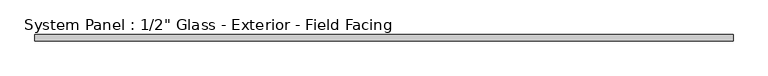
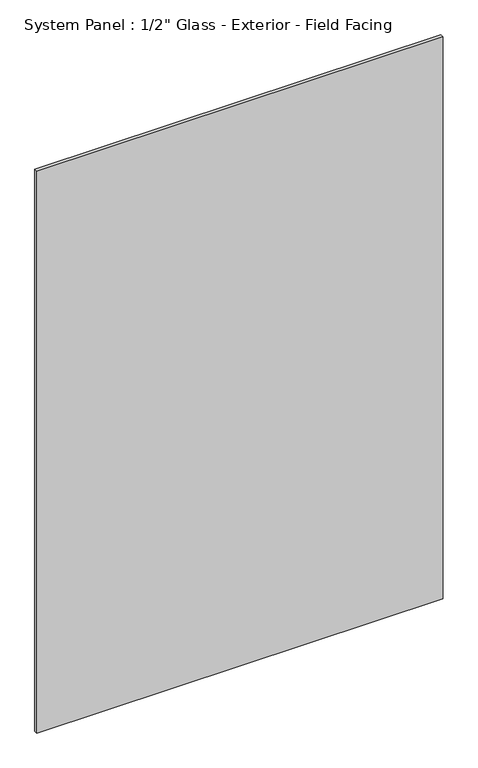
"""IFC4 building model written with IfcOpenShell, lengths in millimetres: plate geometry."""

from ifc_helpers import new_model, si_unit, origin, origin_with_axes, place, context, project, spatial, polyline, outline, extrude, source, transform, mapped, element, save


def plate_a80c2198(model_context):
    return source(origin(), model_context, "Body", "SweptSolid", [
        extrude(outline(polyline([(760.5, -11.55), (-760.5, -11.55), (-760.5, 1.95), (760.5, 1.95), (760.5, -11.55)])), origin_with_axes(), (0.0, 0.0, 1.0), 2223.15),
    ])


if __name__ == "__main__":
    model = new_model("IFC4")
    model_context = context("Model", 3, world=origin())
    ifc_project = project(units=[si_unit("LENGTHUNIT", "METRE", prefix="MILLI")], contexts=[model_context])
    site = spatial("IfcSite", under=ifc_project)
    building = spatial("IfcBuilding", under=site)
    placement = place(None, origin())
    plate_shape = plate_a80c2198(model_context)
    element("IfcPlate", 1, ObjectType="System Panel : 1/2\" Glass - Exterior - Field Facing", at=placement, inside=building, context=model_context, shape_type="MappedRepresentation", body=[
        mapped(plate_shape, transform((0.0, 0.0, 0.0), x_axis=(1.0, 0.0, 0.0), y_axis=(0.0, 1.0, 0.0), z_axis=(0.0, 0.0, 1.0))),
    ])
    save(model, "model.ifc")
